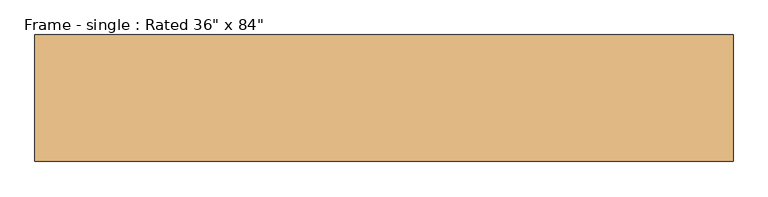
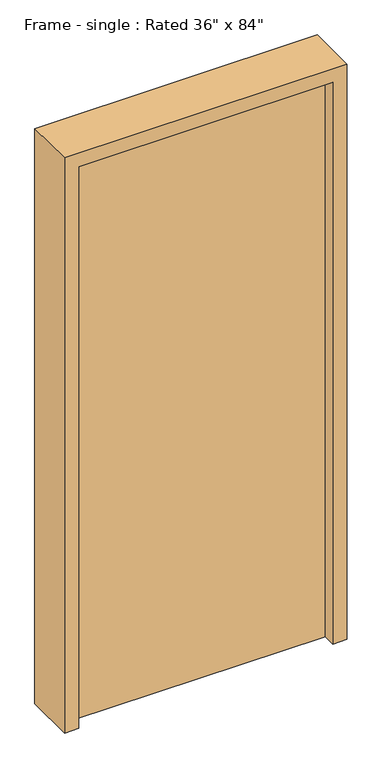
"""IFC4 building model written with IfcOpenShell, lengths in millimetres: door geometry."""

from ifc_helpers import new_model, si_unit, frame, origin, origin_with_axes, place, context, project, spatial, polyline, outline, extrude, source, transform, mapped, element, save


def door_aa2538ef(model_context):
    return source(origin(), model_context, "Body", "SweptSolid", [
        extrude(outline(polyline([(457.2, 0.0), (457.2, -44.45), (-457.2, -44.45), (-457.2, 0.0), (457.2, 0.0)])), origin_with_axes(), (0.0, 0.0, 1.0), 2133.6),
        extrude(outline(polyline([(2184.4, 508.0), (2184.4, -508.0), (0.0, -508.0), (0.0, -457.2), (2133.6, -457.2), (2133.6, 457.2), (0.0, 457.2), (0.0, 508.0), (2184.4, 508.0)])), frame((0.0, -92.075, 0.0), z_axis=(0.0, 1.0, 0.0), x_axis=(0.0, 0.0, 1.0)), (0.0, 0.0, 1.0), 184.15),
    ])


if __name__ == "__main__":
    model = new_model("IFC4")
    model_context = context("Model", 3, world=origin())
    ifc_project = project(units=[si_unit("LENGTHUNIT", "METRE", prefix="MILLI")], contexts=[model_context])
    site = spatial("IfcSite", under=ifc_project)
    building = spatial("IfcBuilding", under=site)
    placement = place(None, origin())
    door_shape = door_aa2538ef(model_context)
    element("IfcDoor", 1, ObjectType="Frame - single : Rated 36\" x 84\"", at=placement, inside=building, context=model_context, shape_type="MappedRepresentation", body=[
        mapped(door_shape, transform((0.0, 0.0, 0.0), x_axis=(1.0, 0.0, 0.0), y_axis=(0.0, 1.0, 0.0), z_axis=(0.0, 0.0, 1.0))),
    ])
    save(model, "model.ifc")
